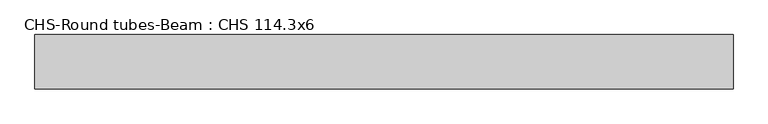
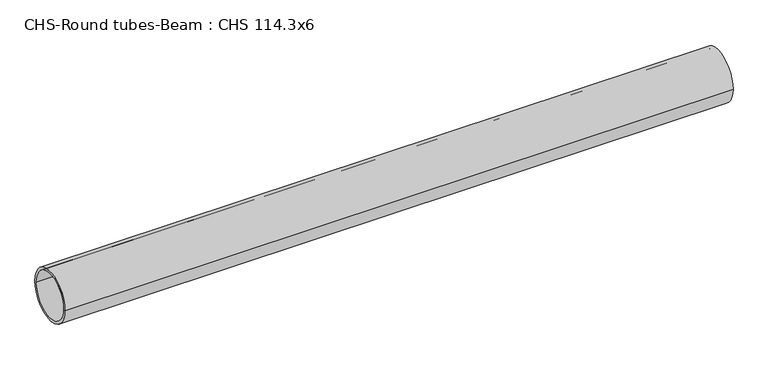
"""IFC4 building model written with IfcOpenShell, lengths in millimetres: beam geometry, CHS-Round tubes-Beam : CHS 114.3x6."""

import ifcopenshell
import ifcopenshell.guid

model = None  # the IFC model being written
_history = None  # IfcOwnerHistory: only IFC2X3 demands one
_inside = {}  # id of a spatial element -> (the spatial element, [elements in it])
_under = {}  # id of a project, library or spatial element -> (it, [spatial elements below it])
_declared = {}  # id of a project -> (the project, [libraries it declares])
_typed = {}  # id of a type object -> (the type object, [elements of that type])
_made_of = {}  # id of a material, layer set ... -> (it, [elements and type objects made of it])


def new_model(schema):
    """Start an empty IFC model of exactly this schema.

    Asked for "IFC4X3", IfcOpenShell would pick the latest addendum, in which some entities
    have other attributes; the version numbers below select the first issue.
    IFC2X3 requires an IfcOwnerHistory on every rooted entity: one is made here for all.
    """
    global model, _history
    if schema == "IFC4X3":
        model = ifcopenshell.file(schema_version=(4, 3, 0, 0))
    else:
        model = ifcopenshell.file(schema=schema)
    _inside.clear()
    _under.clear()
    _declared.clear()
    _typed.clear()
    _made_of.clear()
    _history = None
    if model.schema == "IFC2X3":
        org = make("IfcOrganization", Name="unknown")
        user = make(
            "IfcPersonAndOrganization",
            ThePerson=make("IfcPerson", FamilyName="unknown"),
            TheOrganization=org,
        )
        app = make(
            "IfcApplication",
            ApplicationDeveloper=org,
            Version="unknown",
            ApplicationFullName="unknown",
            ApplicationIdentifier="unknown",
        )
        _history = make(
            "IfcOwnerHistory",
            OwningUser=user,
            OwningApplication=app,
            ChangeAction="ADDED",
            CreationDate=0,
        )
    return model


def make(cls, **values):
    """One entity of the class cls with the attributes given. An attribute that is None is left unset."""
    return model.create_entity(
        cls, **{name: value for name, value in values.items() if value is not None}
    )


def rooted(cls, **values):
    """An entity with a GlobalId (a new one), such as an element, a storey or a relation."""
    return make(cls, GlobalId=ifcopenshell.guid.new(), OwnerHistory=_history, **values)


def si_unit(unit_type, name, prefix=None):
    """IfcSIUnit, for example si_unit("LENGTHUNIT", "METRE", prefix="MILLI")."""
    return make("IfcSIUnit", UnitType=unit_type, Prefix=prefix, Name=name)


def assignment(units):
    """IfcUnitAssignment: the units of a project."""
    return None if units is None else make("IfcUnitAssignment", Units=units)


def point(xyz):
    """IfcCartesianPoint."""
    return None if xyz is None else make("IfcCartesianPoint", Coordinates=xyz)


def direction(xyz):
    """IfcDirection."""
    return None if xyz is None else make("IfcDirection", DirectionRatios=xyz)


def frame(location, z_axis=None, x_axis=None):
    """IfcAxis2Placement3D, a coordinate frame: its origin and axes. An axis left out is left unset."""
    return make(
        "IfcAxis2Placement3D",
        Location=point(location),
        Axis=direction(z_axis),
        RefDirection=direction(x_axis),
    )


def frame_2d(location, x_axis=None):
    """IfcAxis2Placement2D, a coordinate frame in the plane: its origin and x axis."""
    return make(
        "IfcAxis2Placement2D", Location=point(location), RefDirection=direction(x_axis)
    )


def origin():
    """The frame at (0, 0, 0) with its axes left unset."""
    return frame((0.0, 0.0, 0.0))


def origin_2d():
    """The frame at (0, 0) in the plane with its x axis left unset."""
    return frame_2d((0.0, 0.0))


def place(relative_to, where):
    """IfcLocalPlacement: puts the frame where relative to a parent placement (None: the world)."""
    return make(
        "IfcLocalPlacement", PlacementRelTo=relative_to, RelativePlacement=where
    )


def context(
    kind, dimensions, precision=None, world=None, true_north=None, identifier=None
):
    """IfcGeometricRepresentationContext, for example the 3D "Model" context."""
    return make(
        "IfcGeometricRepresentationContext",
        ContextIdentifier=identifier,
        ContextType=kind,
        CoordinateSpaceDimension=dimensions,
        Precision=precision,
        WorldCoordinateSystem=world,
        TrueNorth=true_north,
    )


def project(units=None, contexts=None):
    """IfcProject with its units and contexts."""
    return rooted(
        "IfcProject",
        Name="project",
        RepresentationContexts=contexts,
        UnitsInContext=assignment(units),
    )


def spatial(cls, under=None, at=None, **own):
    """A site, building, storey or space (cls), placed at a placement, below another one or the project."""
    s = rooted(cls, ObjectPlacement=at, **own)
    if under is not None:
        _under.setdefault(under.id(), (under, []))[1].append(s)
    return s


def circle_curve(where, radius):
    """IfcCircle in the frame where."""
    return make("IfcCircle", Position=where, Radius=radius)


def trimmed(basis, trim1, trim2, sense, master):
    """IfcTrimmedCurve: the piece of a basis curve between two trims."""
    return make(
        "IfcTrimmedCurve",
        BasisCurve=basis,
        Trim1=trim1,
        Trim2=trim2,
        SenseAgreement=sense,
        MasterRepresentation=master,
    )


def segment(curve, same_sense, transition):
    """IfcCompositeCurveSegment."""
    return make(
        "IfcCompositeCurveSegment",
        Transition=transition,
        SameSense=same_sense,
        ParentCurve=curve,
    )


def composite_curve(segments, self_intersect=None):
    """IfcCompositeCurve: segments joined end to end."""
    return make("IfcCompositeCurve", Segments=segments, SelfIntersect=self_intersect)


def outline(outer, holes=None, kind="AREA"):
    """IfcArbitraryClosedProfileDef: a profile drawn as a closed curve; with holes, ...WithVoids."""
    if holes is None:
        return make("IfcArbitraryClosedProfileDef", ProfileType=kind, OuterCurve=outer)
    return make(
        "IfcArbitraryProfileDefWithVoids",
        ProfileType=kind,
        OuterCurve=outer,
        InnerCurves=holes,
    )


def extrude(swept, where, along, depth):
    """IfcExtrudedAreaSolid: the profile swept, set in the frame where, extruded along a direction by depth."""
    return make(
        "IfcExtrudedAreaSolid",
        SweptArea=swept,
        Position=where,
        ExtrudedDirection=direction(along),
        Depth=depth,
    )


def shape(context_of_items, identifier, shape_type, items):
    """IfcShapeRepresentation: the items that make up one representation, for example the "Body"."""
    return make(
        "IfcShapeRepresentation",
        ContextOfItems=context_of_items,
        RepresentationIdentifier=identifier,
        RepresentationType=shape_type,
        Items=items,
    )


def source(mapping_origin, context_of_items, identifier, shape_type, items):
    """IfcRepresentationMap: a shape defined once, which mapped items show again and again."""
    return make(
        "IfcRepresentationMap",
        MappingOrigin=mapping_origin,
        MappedRepresentation=shape(context_of_items, identifier, shape_type, items),
    )


def transform(
    local_origin,
    x_axis=None,
    y_axis=None,
    z_axis=None,
    scale=None,
    scale2=None,
    scale3=None,
    uniform=True,
):
    """IfcCartesianTransformationOperator3D, or its non-uniform kind. x_axis, y_axis, z_axis: its Axis1, 2, 3."""
    if uniform:
        return make(
            "IfcCartesianTransformationOperator3D",
            Axis1=direction(x_axis),
            Axis2=direction(y_axis),
            LocalOrigin=point(local_origin),
            Scale=scale,
            Axis3=direction(z_axis),
        )
    return make(
        "IfcCartesianTransformationOperator3DnonUniform",
        Axis1=direction(x_axis),
        Axis2=direction(y_axis),
        LocalOrigin=point(local_origin),
        Scale=scale,
        Axis3=direction(z_axis),
        Scale2=scale2,
        Scale3=scale3,
    )


def mapped(mapping_source, mapping_target):
    """IfcMappedItem: shows the shape of a source again, moved by a transform."""
    return make(
        "IfcMappedItem", MappingSource=mapping_source, MappingTarget=mapping_target
    )


def made_of(thing, what):
    """Note that an element or type object is made of a material, layer set ...; save() writes the relation."""
    if what is not None:
        _made_of.setdefault(what.id(), (what, []))[1].append(thing)
    return thing


def element(
    cls,
    number,
    at=None,
    inside=None,
    cuts=None,
    type_object=None,
    material=None,
    context=None,
    identifier="Body",
    shape_type=None,
    held_by="IfcProductDefinitionShape",
    body=None,
    shapes=None,
    **own,
):
    """One element of the class cls, such as IfcWall. Its Tag is "e" and its number.

    at: its placement. inside: the storey or other place that contains it. cuts: it is an
    opening in that element (IfcRelVoidsElement). A single representation is given by context,
    identifier, shape_type and body (its items); several are given by shapes. held_by: the class
    of the entity that holds the representations. save() writes the other relations.
    """
    e = rooted(cls, Tag="e%d" % number, ObjectPlacement=at, **own)
    if body is not None:
        shapes = [shape(context, identifier, shape_type, body)]
    if shapes is not None:
        e.Representation = make(held_by, Representations=shapes)
    if inside is not None:
        _inside.setdefault(inside.id(), (inside, []))[1].append(e)
    if cuts is not None:
        rooted(
            "IfcRelVoidsElement", RelatingBuildingElement=cuts, RelatedOpeningElement=e
        )
    if type_object is not None:
        _typed.setdefault(type_object.id(), (type_object, []))[1].append(e)
    return made_of(e, material)


def aggregate(whole, parts):
    """IfcRelAggregates: a whole, such as a stair, and the parts it consists of."""
    return rooted("IfcRelAggregates", RelatingObject=whole, RelatedObjects=parts)


def save(model, path):
    """Write the relations noted so far, then the file.

    IfcRelAggregates (storeys below a building ...), IfcRelContainedInSpatialStructure (elements
    in a storey), IfcRelDefinesByType, IfcRelAssociatesMaterial and IfcRelDeclares: one each for
    every whole, place, type object, material and project.
    """
    for whole, parts in _under.values():
        aggregate(whole, parts)
    for where, things in _inside.values():
        rooted(
            "IfcRelContainedInSpatialStructure",
            RelatedElements=things,
            RelatingStructure=where,
        )
    for kind, things in _typed.values():
        rooted("IfcRelDefinesByType", RelatedObjects=things, RelatingType=kind)
    for what, things in _made_of.values():
        rooted("IfcRelAssociatesMaterial", RelatedObjects=things, RelatingMaterial=what)
    for by, libraries in _declared.values():
        rooted("IfcRelDeclares", RelatingContext=by, RelatedDefinitions=libraries)
    model.write(path)


def chs_round_tubes_beam_chs_114_3x6_e02e711e(model_context):
    return source(origin(), model_context, "Body", "SweptSolid", [
        extrude(outline(composite_curve([segment(trimmed(circle_curve(origin_2d(), 57.15), [point((57.15, 0.0))], [point((-57.15, 0.0))], False, "CARTESIAN"), True, "CONTINUOUS"), segment(trimmed(circle_curve(origin_2d(), 57.15), [point((-57.15, 0.0))], [point((57.15, 0.0))], False, "CARTESIAN"), True, "CONTINUOUS")], self_intersect=False), holes=[composite_curve([segment(trimmed(circle_curve(origin_2d(), 51.15), [point((51.15, 0.0))], [point((-51.15, 0.0))], True, "CARTESIAN"), True, "CONTINUOUS"), segment(trimmed(circle_curve(origin_2d(), 51.15), [point((-51.15, 0.0))], [point((51.15, 0.0))], True, "CARTESIAN"), True, "CONTINUOUS")], self_intersect=False)]), frame((-757.1897283, 0.0, 0.0), z_axis=(1.0, 0.0, 0.0), x_axis=(0.0, 1.0, 0.0)), (0.0, 0.0, 1.0), 1471.3980228),
    ])


if __name__ == "__main__":
    model = new_model("IFC4")
    model_context = context("Model", 3, world=origin())
    ifc_project = project(units=[si_unit("LENGTHUNIT", "METRE", prefix="MILLI")], contexts=[model_context])
    site = spatial("IfcSite", under=ifc_project)
    building = spatial("IfcBuilding", under=site)
    placement = place(None, origin())
    chs_round_tubes_beam_chs_114_3x6_shape = chs_round_tubes_beam_chs_114_3x6_e02e711e(model_context)
    element("IfcBeam", 1, ObjectType="CHS-Round tubes-Beam : CHS 114.3x6", at=placement, inside=building, context=model_context, shape_type="MappedRepresentation", body=[
        mapped(chs_round_tubes_beam_chs_114_3x6_shape, transform((0.0, 0.0, 0.0), x_axis=(1.0, 0.0, 0.0), y_axis=(0.0, 1.0, 0.0), z_axis=(0.0, 0.0, 1.0))),
    ])
    save(model, "model.ifc")
